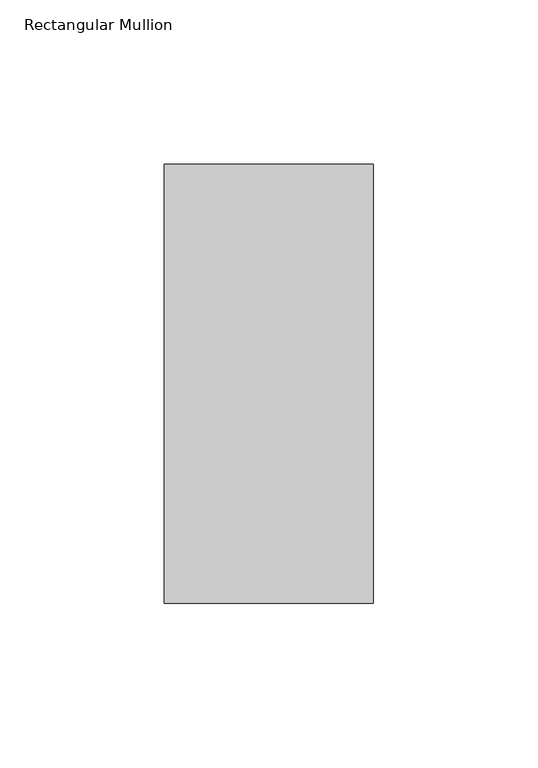
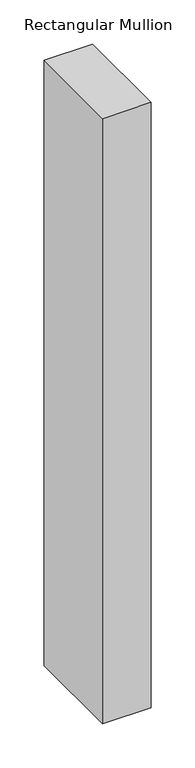
"""IFC4 building model written with IfcOpenShell, lengths in millimetres: member geometry, Rectangular Mullion."""

import ifcopenshell
import ifcopenshell.guid

model = None  # the IFC model being written
_history = None  # IfcOwnerHistory: only IFC2X3 demands one
_inside = {}  # id of a spatial element -> (the spatial element, [elements in it])
_under = {}  # id of a project, library or spatial element -> (it, [spatial elements below it])
_declared = {}  # id of a project -> (the project, [libraries it declares])
_typed = {}  # id of a type object -> (the type object, [elements of that type])
_made_of = {}  # id of a material, layer set ... -> (it, [elements and type objects made of it])


def new_model(schema):
    """Start an empty IFC model of exactly this schema.

    Asked for "IFC4X3", IfcOpenShell would pick the latest addendum, in which some entities
    have other attributes; the version numbers below select the first issue.
    IFC2X3 requires an IfcOwnerHistory on every rooted entity: one is made here for all.
    """
    global model, _history
    if schema == "IFC4X3":
        model = ifcopenshell.file(schema_version=(4, 3, 0, 0))
    else:
        model = ifcopenshell.file(schema=schema)
    _inside.clear()
    _under.clear()
    _declared.clear()
    _typed.clear()
    _made_of.clear()
    _history = None
    if model.schema == "IFC2X3":
        org = make("IfcOrganization", Name="unknown")
        user = make(
            "IfcPersonAndOrganization",
            ThePerson=make("IfcPerson", FamilyName="unknown"),
            TheOrganization=org,
        )
        app = make(
            "IfcApplication",
            ApplicationDeveloper=org,
            Version="unknown",
            ApplicationFullName="unknown",
            ApplicationIdentifier="unknown",
        )
        _history = make(
            "IfcOwnerHistory",
            OwningUser=user,
            OwningApplication=app,
            ChangeAction="ADDED",
            CreationDate=0,
        )
    return model


def make(cls, **values):
    """One entity of the class cls with the attributes given. An attribute that is None is left unset."""
    return model.create_entity(
        cls, **{name: value for name, value in values.items() if value is not None}
    )


def rooted(cls, **values):
    """An entity with a GlobalId (a new one), such as an element, a storey or a relation."""
    return make(cls, GlobalId=ifcopenshell.guid.new(), OwnerHistory=_history, **values)


def si_unit(unit_type, name, prefix=None):
    """IfcSIUnit, for example si_unit("LENGTHUNIT", "METRE", prefix="MILLI")."""
    return make("IfcSIUnit", UnitType=unit_type, Prefix=prefix, Name=name)


def assignment(units):
    """IfcUnitAssignment: the units of a project."""
    return None if units is None else make("IfcUnitAssignment", Units=units)


def point(xyz):
    """IfcCartesianPoint."""
    return None if xyz is None else make("IfcCartesianPoint", Coordinates=xyz)


def direction(xyz):
    """IfcDirection."""
    return None if xyz is None else make("IfcDirection", DirectionRatios=xyz)


def frame(location, z_axis=None, x_axis=None):
    """IfcAxis2Placement3D, a coordinate frame: its origin and axes. An axis left out is left unset."""
    return make(
        "IfcAxis2Placement3D",
        Location=point(location),
        Axis=direction(z_axis),
        RefDirection=direction(x_axis),
    )


def origin():
    """The frame at (0, 0, 0) with its axes left unset."""
    return frame((0.0, 0.0, 0.0))


def place(relative_to, where):
    """IfcLocalPlacement: puts the frame where relative to a parent placement (None: the world)."""
    return make(
        "IfcLocalPlacement", PlacementRelTo=relative_to, RelativePlacement=where
    )


def context(
    kind, dimensions, precision=None, world=None, true_north=None, identifier=None
):
    """IfcGeometricRepresentationContext, for example the 3D "Model" context."""
    return make(
        "IfcGeometricRepresentationContext",
        ContextIdentifier=identifier,
        ContextType=kind,
        CoordinateSpaceDimension=dimensions,
        Precision=precision,
        WorldCoordinateSystem=world,
        TrueNorth=true_north,
    )


def project(units=None, contexts=None):
    """IfcProject with its units and contexts."""
    return rooted(
        "IfcProject",
        Name="project",
        RepresentationContexts=contexts,
        UnitsInContext=assignment(units),
    )


def spatial(cls, under=None, at=None, **own):
    """A site, building, storey or space (cls), placed at a placement, below another one or the project."""
    s = rooted(cls, ObjectPlacement=at, **own)
    if under is not None:
        _under.setdefault(under.id(), (under, []))[1].append(s)
    return s


def polyline(points):
    """IfcPolyline through the points."""
    return make("IfcPolyline", Points=[point(p) for p in points])


def outline(outer, holes=None, kind="AREA"):
    """IfcArbitraryClosedProfileDef: a profile drawn as a closed curve; with holes, ...WithVoids."""
    if holes is None:
        return make("IfcArbitraryClosedProfileDef", ProfileType=kind, OuterCurve=outer)
    return make(
        "IfcArbitraryProfileDefWithVoids",
        ProfileType=kind,
        OuterCurve=outer,
        InnerCurves=holes,
    )


def extrude(swept, where, along, depth):
    """IfcExtrudedAreaSolid: the profile swept, set in the frame where, extruded along a direction by depth."""
    return make(
        "IfcExtrudedAreaSolid",
        SweptArea=swept,
        Position=where,
        ExtrudedDirection=direction(along),
        Depth=depth,
    )


def shape(context_of_items, identifier, shape_type, items):
    """IfcShapeRepresentation: the items that make up one representation, for example the "Body"."""
    return make(
        "IfcShapeRepresentation",
        ContextOfItems=context_of_items,
        RepresentationIdentifier=identifier,
        RepresentationType=shape_type,
        Items=items,
    )


def source(mapping_origin, context_of_items, identifier, shape_type, items):
    """IfcRepresentationMap: a shape defined once, which mapped items show again and again."""
    return make(
        "IfcRepresentationMap",
        MappingOrigin=mapping_origin,
        MappedRepresentation=shape(context_of_items, identifier, shape_type, items),
    )


def transform(
    local_origin,
    x_axis=None,
    y_axis=None,
    z_axis=None,
    scale=None,
    scale2=None,
    scale3=None,
    uniform=True,
):
    """IfcCartesianTransformationOperator3D, or its non-uniform kind. x_axis, y_axis, z_axis: its Axis1, 2, 3."""
    if uniform:
        return make(
            "IfcCartesianTransformationOperator3D",
            Axis1=direction(x_axis),
            Axis2=direction(y_axis),
            LocalOrigin=point(local_origin),
            Scale=scale,
            Axis3=direction(z_axis),
        )
    return make(
        "IfcCartesianTransformationOperator3DnonUniform",
        Axis1=direction(x_axis),
        Axis2=direction(y_axis),
        LocalOrigin=point(local_origin),
        Scale=scale,
        Axis3=direction(z_axis),
        Scale2=scale2,
        Scale3=scale3,
    )


def mapped(mapping_source, mapping_target):
    """IfcMappedItem: shows the shape of a source again, moved by a transform."""
    return make(
        "IfcMappedItem", MappingSource=mapping_source, MappingTarget=mapping_target
    )


def made_of(thing, what):
    """Note that an element or type object is made of a material, layer set ...; save() writes the relation."""
    if what is not None:
        _made_of.setdefault(what.id(), (what, []))[1].append(thing)
    return thing


def element(
    cls,
    number,
    at=None,
    inside=None,
    cuts=None,
    type_object=None,
    material=None,
    context=None,
    identifier="Body",
    shape_type=None,
    held_by="IfcProductDefinitionShape",
    body=None,
    shapes=None,
    **own,
):
    """One element of the class cls, such as IfcWall. Its Tag is "e" and its number.

    at: its placement. inside: the storey or other place that contains it. cuts: it is an
    opening in that element (IfcRelVoidsElement). A single representation is given by context,
    identifier, shape_type and body (its items); several are given by shapes. held_by: the class
    of the entity that holds the representations. save() writes the other relations.
    """
    e = rooted(cls, Tag="e%d" % number, ObjectPlacement=at, **own)
    if body is not None:
        shapes = [shape(context, identifier, shape_type, body)]
    if shapes is not None:
        e.Representation = make(held_by, Representations=shapes)
    if inside is not None:
        _inside.setdefault(inside.id(), (inside, []))[1].append(e)
    if cuts is not None:
        rooted(
            "IfcRelVoidsElement", RelatingBuildingElement=cuts, RelatedOpeningElement=e
        )
    if type_object is not None:
        _typed.setdefault(type_object.id(), (type_object, []))[1].append(e)
    return made_of(e, material)


def aggregate(whole, parts):
    """IfcRelAggregates: a whole, such as a stair, and the parts it consists of."""
    return rooted("IfcRelAggregates", RelatingObject=whole, RelatedObjects=parts)


def save(model, path):
    """Write the relations noted so far, then the file.

    IfcRelAggregates (storeys below a building ...), IfcRelContainedInSpatialStructure (elements
    in a storey), IfcRelDefinesByType, IfcRelAssociatesMaterial and IfcRelDeclares: one each for
    every whole, place, type object, material and project.
    """
    for whole, parts in _under.values():
        aggregate(whole, parts)
    for where, things in _inside.values():
        rooted(
            "IfcRelContainedInSpatialStructure",
            RelatedElements=things,
            RelatingStructure=where,
        )
    for kind, things in _typed.values():
        rooted("IfcRelDefinesByType", RelatedObjects=things, RelatingType=kind)
    for what, things in _made_of.values():
        rooted("IfcRelAssociatesMaterial", RelatedObjects=things, RelatingMaterial=what)
    for by, libraries in _declared.values():
        rooted("IfcRelDeclares", RelatingContext=by, RelatedDefinitions=libraries)
    model.write(path)


def rectangular_mullion_0f1c007d(model_context):
    return source(origin(), model_context, "Body", "SweptSolid", [
        extrude(outline(polyline([(31.75, 192.88125), (31.75, 59.53125), (-31.75, 59.53125), (-31.75, 192.88125), (31.75, 192.88125)])), frame((0.0, 0.0, -838.2), z_axis=(0.0, 0.0, 1.0), x_axis=(1.0, 0.0, 0.0)), (0.0, 0.0, 1.0), 838.2),
    ])


if __name__ == "__main__":
    model = new_model("IFC4")
    model_context = context("Model", 3, world=origin())
    ifc_project = project(units=[si_unit("LENGTHUNIT", "METRE", prefix="MILLI")], contexts=[model_context])
    site = spatial("IfcSite", under=ifc_project)
    building = spatial("IfcBuilding", under=site)
    placement = place(None, origin())
    rectangular_mullion_shape = rectangular_mullion_0f1c007d(model_context)
    element("IfcMember", 1, ObjectType="Rectangular Mullion", at=placement, inside=building, context=model_context, shape_type="MappedRepresentation", body=[
        mapped(rectangular_mullion_shape, transform((0.0, 0.0, 0.0), x_axis=(1.0, 0.0, 0.0), y_axis=(0.0, 1.0, 0.0), z_axis=(0.0, 0.0, 1.0))),
    ])
    save(model, "model.ifc")
